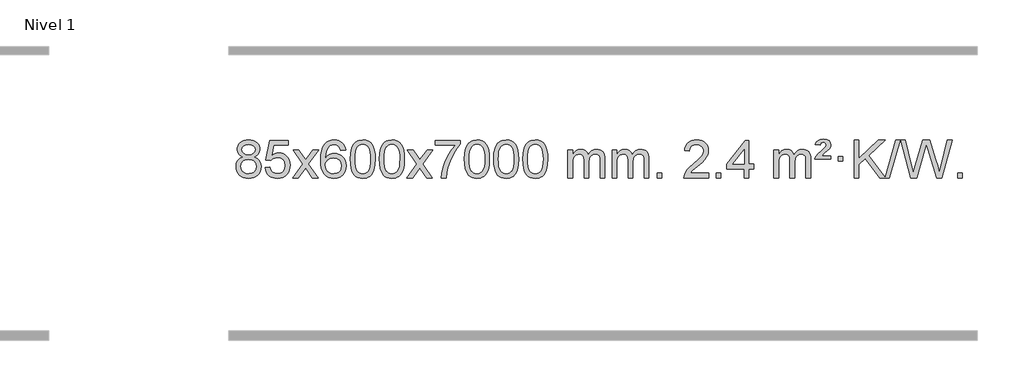
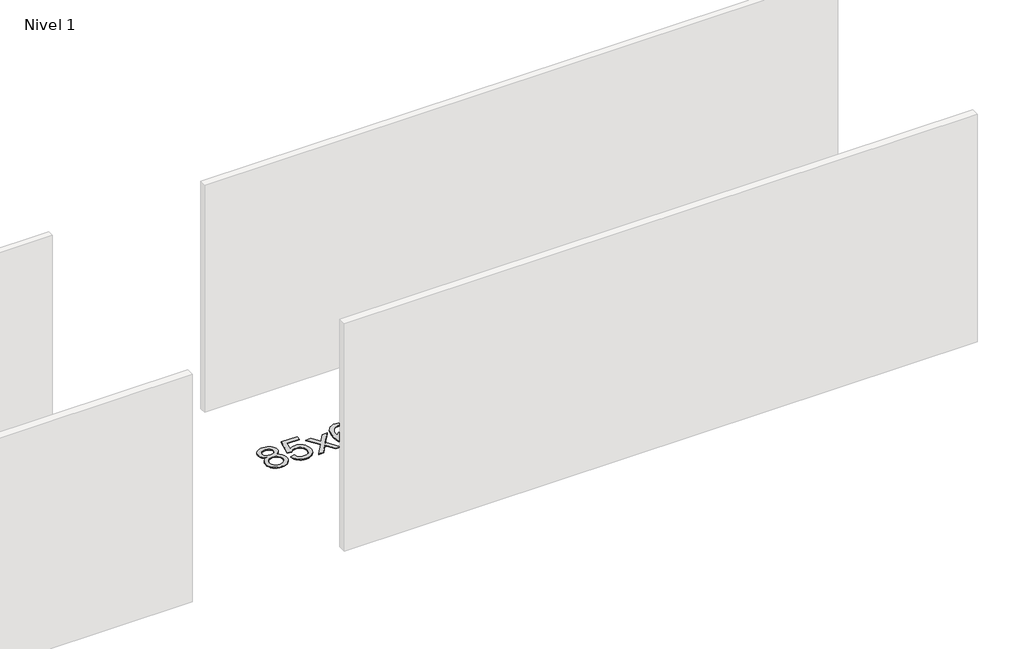
# One storey, part 8 of 12: 1 proxy.
"""IFC4 building model written with IfcOpenShell, lengths in millimetres."""

from ifc_helpers import new_model, si_unit, origin, origin_with_axes, place, context, project, spatial, polyline, outline, extrude, element, save

model = new_model("IFC4")

# Units and contexts
model_context = context("Model", 3, world=origin())
ifc_project = project(units=[si_unit("LENGTHUNIT", "METRE", prefix="MILLI")], contexts=[model_context])

# Site, building, storey
site = spatial("IfcSite", under=ifc_project)
building = spatial("IfcBuilding", under=site)
storey = spatial("IfcBuildingStorey", under=building, Name="Nivel 1", Elevation=0.0)

# Proxy
placement = place(None, origin())
element("IfcBuildingElementProxy", 1, Name="Texto de modelo 1", ObjectType="Texto de modelo 1", at=placement, inside=storey, context=model_context, shape_type="SweptSolid", body=[
    extrude(outline(polyline([(-1682.9857189, -6174.2616447), (-1709.8778927, -6161.0178929), (-1728.7502391, -6143.0652515), (-1739.8970635, -6120.7716026), (-1743.6126717, -6094.5048281), (-1741.5893207, -6074.0199324), (-1735.5192678, -6055.2395565), (-1725.4025129, -6038.1637006), (-1711.2390561, -6022.7923645), (-1693.709479, -6010.088173), (-1673.4943634, -6001.0137504), (-1650.5937092, -5995.5690969), (-1625.0075164, -5993.7542124), (-1599.2986964, -5995.6120165), (-1576.2263639, -6001.1854287), (-1555.7905191, -6010.4744491), (-1537.9911619, -6023.4790776), (-1523.5701876, -6039.1508506), (-1513.2694918, -6056.4413044), (-1507.0890743, -6075.3504389), (-1505.0289351, -6095.8782543), (-1508.6954923, -6121.2989001), (-1519.695164, -6143.2124043), (-1538.1505774, -6161.0546811), (-1564.1843599, -6174.2616447), (-1533.2700096, -6190.1909351), (-1510.7678942, -6213.6495436), (-1497.0458958, -6243.5092989), (-1492.4718963, -6278.6420295), (-1494.740502, -6303.6947933), (-1501.5463189, -6326.6628926), (-1512.8893471, -6347.5463272), (-1528.7695865, -6366.3450971), (-1548.3531714, -6381.88198), (-1570.8062358, -6392.9797536), (-1596.1287798, -6399.6384177), (-1624.3208034, -6401.8579724), (-1652.512827, -6399.6292206), (-1677.835371, -6392.9429654), (-1700.2884354, -6381.7992066), (-1719.8720203, -6366.1979443), (-1735.7522597, -6347.26735), (-1747.0952879, -6326.135595), (-1753.9011048, -6302.8026795), (-1756.1697105, -6277.2686033), (-1751.41177, -6240.7747094), (-1737.1379486, -6210.7555386), (-1714.0840102, -6188.2411605), (-1682.9857189, -6174.2616447)]), holes=[polyline([(-1693.3845166, -6095.9763561), (-1688.9331445, -6117.902123), (-1675.5790281, -6135.413306), (-1653.7145748, -6146.8912243), (-1623.7321922, -6150.717197), (-1594.4487854, -6146.9157497), (-1572.9154259, -6135.5114079), (-1559.6716741, -6118.5888361), (-1555.2570902, -6098.232699), (-1559.8188269, -6077.1040098), (-1573.5040371, -6059.629615), (-1595.3317022, -6047.8941794), (-1624.3208034, -6043.9823675), (-1653.4938456, -6047.8083402), (-1675.2847225, -6059.2862585), (-1688.8595681, -6076.1107284), (-1693.3845166, -6095.9763561)]), polyline([(-1705.9415554, -6275.5027698), (-1703.844628, -6294.7184726), (-1697.5538459, -6313.3210389), (-1685.9410376, -6329.5446349), (-1667.8780316, -6341.623427), (-1646.2465703, -6349.1282197), (-1623.9283959, -6351.6298173), (-1589.7398958, -6346.3691048), (-1575.8462192, -6339.7932141), (-1564.086258, -6330.5869672), (-1548.0466031, -6306.6869002), (-1542.7000514, -6277.0723996), (-1548.2182813, -6246.9551269), (-1564.7729711, -6222.5277625), (-1576.8517633, -6213.0854579), (-1591.0152201, -6206.3409547), (-1625.5961276, -6200.9453521), (-1659.3063811, -6206.2673783), (-1673.043708, -6212.919911), (-1684.7025015, -6222.2334569), (-1700.6317919, -6246.1948375), (-1705.9415554, -6275.5027698)])]), origin_with_axes(), (0.0, 0.0, 1.0), 10.0),
    extrude(outline(polyline([(-1448.5222606, -6288.8446235), (-1398.2941056, -6282.5661041), (-1389.0725302, -6312.7201649), (-1372.9838243, -6334.3148381), (-1350.1015642, -6347.3010725), (-1320.4993263, -6351.6298173), (-1301.3694626, -6350.1245668), (-1284.4959417, -6345.6088153), (-1269.8787638, -6338.0825628), (-1257.5179287, -6327.5458094), (-1247.6893481, -6314.519721), (-1240.6689334, -6299.5254641), (-1235.0526016, -6263.6324441), (-1240.3133141, -6229.8363514), (-1246.8892048, -6215.9181493), (-1256.0954517, -6203.9865099), (-1267.9627117, -6194.4154467), (-1282.5216417, -6187.5789729), (-1319.7145114, -6182.1097939), (-1344.0805622, -6184.2925604), (-1363.8112999, -6190.8408599), (-1379.568912, -6200.8717757), (-1392.0155862, -6213.5023908), (-1442.2437412, -6207.2238715), (-1398.2941056, -6000.0327318), (-1203.6600046, -6000.0327318), (-1203.6600046, -6050.2608869), (-1357.6799333, -6050.2608869), (-1379.1642418, -6160.919791), (-1361.438461, -6148.2155994), (-1343.2834845, -6139.1411769), (-1324.6993124, -6133.6965234), (-1305.6859446, -6131.8816388), (-1281.2248576, -6134.1318504), (-1258.7564648, -6140.882485), (-1238.2807661, -6152.1335427), (-1219.7977615, -6167.8850234), (-1204.4969362, -6187.1743027), (-1193.5677752, -6209.038756), (-1187.0102787, -6233.4783832), (-1184.8244465, -6260.4931844), (-1186.7926152, -6286.5147042), (-1192.6971212, -6310.7213394), (-1202.5379646, -6333.1130902), (-1216.3151453, -6353.6899565), (-1237.1863171, -6374.7634634), (-1261.5401052, -6389.8159684), (-1289.3765095, -6398.8474714), (-1320.69553, -6401.8579724), (-1346.6158823, -6399.9235262), (-1370.0285056, -6394.1201877), (-1390.9334, -6384.447957), (-1409.3305654, -6370.9068338), (-1424.6375221, -6354.1712688), (-1436.2717902, -6334.915712), (-1444.2333697, -6313.1401636), (-1448.5222606, -6288.8446235)])), origin_with_axes(), (0.0, 0.0, 1.0), 10.0),
    extrude(outline(polyline([(-1159.7103689, -6395.579453), (-1052.3869282, -6247.2494325), (-1153.4318496, -6100.4890419), (-1093.0011005, -6100.4890419), (-1044.2444734, -6171.122385), (-1021.4848406, -6204.4770192), (-1001.7663657, -6177.2047007), (-946.2407099, -6100.4890419), (-885.8099608, -6100.4890419), (-991.9561791, -6247.2494325), (-889.7340354, -6395.579453), (-950.1647845, -6395.579453), (-1011.6746541, -6306.4048574), (-1022.9563686, -6290.1199477), (-1099.2796199, -6395.579453), (-1159.7103689, -6395.579453)])), origin_with_axes(), (0.0, 0.0, 1.0), 10.0),
    extrude(outline(polyline([(-600.9221437, -6100.4890419), (-651.1502988, -6106.7675613), (-659.2437027, -6081.874213), (-670.1820607, -6064.8780648), (-692.9662189, -6049.2062918), (-720.5083176, -6043.9823675), (-743.8565616, -6047.0235253), (-765.8313794, -6056.1469988), (-784.7037258, -6075.3627017), (-800.1179814, -6101.8134171), (-810.5290419, -6139.227016), (-814.3918028, -6191.3313693), (-794.2441322, -6167.8237098), (-770.0988106, -6151.2567573), (-743.3047386, -6141.434308), (-715.2108169, -6138.1601582), (-691.077758, -6140.398107), (-668.8086346, -6147.1119534), (-648.4034466, -6158.3016975), (-629.862194, -6173.9673391), (-614.4540698, -6193.1769106), (-603.4482668, -6214.9984443), (-596.844785, -6239.4319401), (-594.6436244, -6266.4773982), (-598.7884282, -6302.4439945), (-611.2228396, -6335.786366), (-630.9167891, -6364.0642287), (-656.840207, -6384.8372987), (-687.815871, -6397.602804), (-722.6665587, -6401.8579724), (-752.6090874, -6399.0375437), (-779.6514797, -6390.5762579), (-803.7937357, -6376.4741147), (-825.0358552, -6356.7311143), (-842.3539001, -6330.5133908), (-854.7239322, -6296.9870783), (-862.1459515, -6256.1521768), (-864.6199579, -6208.0086864), (-861.8731057, -6154.0342663), (-853.632549, -6107.9693092), (-839.8982878, -6069.8138149), (-820.6703222, -6039.5677835), (-799.8298072, -6019.5243462), (-775.6660915, -6005.2076052), (-748.179175, -5996.6175606), (-717.3690579, -5993.7542124), (-694.2354118, -5995.5261773), (-673.2967949, -6000.8420722), (-654.5532073, -6009.7018969), (-638.0046489, -6022.1056515), (-624.0987094, -6037.6364031), (-613.2829788, -6055.8772186), (-605.5574569, -6076.8280983), (-600.9221437, -6100.4890419)]), holes=[polyline([(-814.3918028, -6265.6925832), (-811.485535, -6287.9494439), (-802.7667318, -6309.2007605), (-789.2286743, -6327.472233), (-771.8646442, -6340.7895612), (-750.9076332, -6348.9197533), (-726.5906333, -6351.6298173), (-693.4444655, -6346.0134855), (-679.5293291, -6338.9930708), (-667.3861575, -6329.1644901), (-657.5361171, -6316.9262824), (-650.500374, -6302.6769865), (-644.8717794, -6268.1451299), (-650.4267976, -6234.9989621), (-657.3705702, -6221.3781312), (-667.0918519, -6209.725469), (-679.2718117, -6200.3904634), (-693.5916183, -6193.7226022), (-728.6507725, -6188.3883133), (-761.7478893, -6193.7226022), (-789.4248781, -6209.725469), (-800.3479076, -6221.2248471), (-808.1500716, -6234.3858254), (-812.83137, -6249.2084042), (-814.3918028, -6265.6925832)])]), origin_with_axes(), (0.0, 0.0, 1.0), 10.0),
    extrude(outline(polyline([(-550.6939887, -6197.9041943), (-547.002906, -6133.5861588), (-535.9296579, -6082.2911459), (-517.5846091, -6043.2343407), (-505.7265461, -6028.0009605), (-492.0781241, -6015.6309284), (-476.5933578, -6006.0598651), (-459.2262619, -5999.2233914), (-418.8450816, -5993.7542124), (-387.8939431, -5996.991574), (-360.1801661, -6006.7036586), (-337.0036004, -6022.5103217), (-319.6640957, -6044.0314184), (-306.5674967, -6071.0830078), (-296.119648, -6103.4811488), (-289.2770429, -6144.6226186), (-286.9961745, -6197.9041943), (-290.650469, -6261.8543477), (-301.6133525, -6313.0267333), (-319.8480367, -6352.1203266), (-331.6785085, -6367.3996922), (-345.3177335, -6379.8341036), (-360.8208939, -6389.4695462), (-378.2431721, -6396.3520052), (-418.8450816, -6401.8579724), (-446.5098076, -6399.4667394), (-471.035274, -6392.2930405), (-492.4214806, -6380.3368757), (-510.6684276, -6363.5982449), (-528.1796106, -6333.3399508), (-540.6875984, -6295.6381776), (-548.1923911, -6250.4929255), (-550.6939887, -6197.9041943)]), holes=[polyline([(-500.4658336, -6197.8060924), (-498.9943056, -6241.4706195), (-494.5797217, -6276.8148822), (-487.2220818, -6303.8388804), (-476.9213859, -6322.5426142), (-464.462449, -6335.2682656), (-450.630086, -6344.3580165), (-435.4242968, -6349.8118671), (-418.8450816, -6351.6298173), (-402.2658663, -6349.8057357), (-387.0600772, -6344.3334911), (-373.2277142, -6335.2130833), (-360.7687773, -6322.4445124), (-350.4680814, -6303.7101217), (-343.1104415, -6276.6922549), (-338.6958576, -6241.3909118), (-337.2243296, -6197.8060924), (-338.6468066, -6155.2973278), (-342.9142378, -6120.5753989), (-350.026623, -6093.6403055), (-359.9839624, -6074.4920476), (-372.2344328, -6061.1440625), (-386.2262114, -6051.6097875), (-401.959298, -6045.8892225), (-419.4336928, -6043.9823675), (-435.9270689, -6045.6623619), (-450.8753406, -6050.7023452), (-464.278508, -6059.1023175), (-476.136571, -6070.8622786), (-486.7806234, -6091.708925), (-494.3835179, -6119.8151094), (-498.9452547, -6155.1808319), (-500.4658336, -6197.8060924)])]), origin_with_axes(), (0.0, 0.0, 1.0), 10.0),
    extrude(outline(polyline([(-243.0465388, -6197.9041943), (-239.3554561, -6133.5861588), (-228.2822081, -6082.2911459), (-209.9371593, -6043.2343407), (-198.0790963, -6028.0009605), (-184.4306743, -6015.6309284), (-168.945908, -6006.0598651), (-151.5788121, -5999.2233914), (-111.1976318, -5993.7542124), (-80.2464932, -5996.991574), (-52.5327163, -6006.7036586), (-29.3561506, -6022.5103217), (-12.0166459, -6044.0314184), (1.0799532, -6071.0830078), (11.5278018, -6103.4811488), (18.3704069, -6144.6226186), (20.6512753, -6197.9041943), (16.9969808, -6261.8543477), (6.0340974, -6313.0267333), (-12.2005869, -6352.1203266), (-24.0310587, -6367.3996922), (-37.6702837, -6379.8341036), (-53.1734441, -6389.4695462), (-70.5957222, -6396.3520052), (-111.1976318, -6401.8579724), (-138.8623578, -6399.4667394), (-163.3878241, -6392.2930405), (-184.7740308, -6380.3368757), (-203.0209778, -6363.5982449), (-220.5321607, -6333.3399508), (-233.0401486, -6295.6381776), (-240.5449413, -6250.4929255), (-243.0465388, -6197.9041943)]), holes=[polyline([(-192.8183838, -6197.8060924), (-191.3468558, -6241.4706195), (-186.9322718, -6276.8148822), (-179.5746319, -6303.8388804), (-169.2739361, -6322.5426142), (-156.8149992, -6335.2682656), (-142.9826361, -6344.3580165), (-127.776847, -6349.8118671), (-111.1976318, -6351.6298173), (-94.6184165, -6349.8057357), (-79.4126274, -6344.3334911), (-65.5802644, -6335.2130833), (-53.1213275, -6322.4445124), (-42.8206316, -6303.7101217), (-35.4629917, -6276.6922549), (-31.0484077, -6241.3909118), (-29.5768798, -6197.8060924), (-30.9993568, -6155.2973278), (-35.266788, -6120.5753989), (-42.3791732, -6093.6403055), (-52.3365125, -6074.4920476), (-64.586983, -6061.1440625), (-78.5787615, -6051.6097875), (-94.3118482, -6045.8892225), (-111.786243, -6043.9823675), (-128.2796191, -6045.6623619), (-143.2278908, -6050.7023452), (-156.6310582, -6059.1023175), (-168.4891211, -6070.8622786), (-179.1331735, -6091.708925), (-186.7360681, -6119.8151094), (-191.2978048, -6155.1808319), (-192.8183838, -6197.8060924)])]), origin_with_axes(), (0.0, 0.0, 1.0), 10.0),
    extrude(outline(polyline([(45.7653528, -6395.579453), (153.0887936, -6247.2494325), (52.0438722, -6100.4890419), (112.4746213, -6100.4890419), (161.2312484, -6171.122385), (183.9908812, -6204.4770192), (203.7093561, -6177.2047007), (259.2350119, -6100.4890419), (319.665761, -6100.4890419), (213.5195426, -6247.2494325), (315.7416864, -6395.579453), (255.3109373, -6395.579453), (193.8010677, -6306.4048574), (182.5193532, -6290.1199477), (106.1961019, -6395.579453), (45.7653528, -6395.579453)])), origin_with_axes(), (0.0, 0.0, 1.0), 10.0),
    extrude(outline(polyline([(347.1342833, -6050.2608869), (347.1342833, -6000.0327318), (610.8320974, -6000.0327318), (610.8320974, -6040.646904), (573.2468203, -6088.214046), (536.0294251, -6148.7061088), (503.2020884, -6216.6048623), (478.7869866, -6286.3920768), (466.8185591, -6338.6067947), (460.1476322, -6395.579453), (409.9194771, -6395.579453), (415.3518679, -6343.8061935), (429.8832067, -6282.2717985), (453.1210861, -6217.0463207), (484.6730986, -6154.1998132), (521.510349, -6097.3865704), (560.6039424, -6050.2608869), (347.1342833, -6050.2608869)])), origin_with_axes(), (0.0, 0.0, 1.0), 10.0),
    extrude(outline(polyline([(654.7817331, -6197.9041943), (658.4728158, -6133.5861588), (669.5460639, -6082.2911459), (687.8911127, -6043.2343407), (699.7491757, -6028.0009605), (713.3975977, -6015.6309284), (728.882364, -6006.0598651), (746.2494599, -5999.2233914), (786.6306402, -5993.7542124), (817.5817787, -5996.991574), (845.2955557, -6006.7036586), (868.4721214, -6022.5103217), (885.8116261, -6044.0314184), (898.9082251, -6071.0830078), (909.3560738, -6103.4811488), (916.1986789, -6144.6226186), (918.4795473, -6197.9041943), (914.8252528, -6261.8543477), (903.8623693, -6313.0267333), (885.6276851, -6352.1203266), (873.7972133, -6367.3996922), (860.1579883, -6379.8341036), (844.6548279, -6389.4695462), (827.2325497, -6396.3520052), (786.6306402, -6401.8579724), (758.9659142, -6399.4667394), (734.4404478, -6392.2930405), (713.0542412, -6380.3368757), (694.8072942, -6363.5982449), (677.2961112, -6333.3399508), (664.7881234, -6295.6381776), (657.2833307, -6250.4929255), (654.7817331, -6197.9041943)]), holes=[polyline([(705.0098882, -6197.8060924), (706.4814162, -6241.4706195), (710.8960001, -6276.8148822), (718.25364, -6303.8388804), (728.5543359, -6322.5426142), (741.0132728, -6335.2682656), (754.8456358, -6344.3580165), (770.0514249, -6349.8118671), (786.6306402, -6351.6298173), (803.2098554, -6349.8057357), (818.4156446, -6344.3334911), (832.2480076, -6335.2130833), (844.7069445, -6322.4445124), (855.0076404, -6303.7101217), (862.3652803, -6276.6922549), (866.7798642, -6241.3909118), (868.2513922, -6197.8060924), (866.8289151, -6155.2973278), (862.561484, -6120.5753989), (855.4490988, -6093.6403055), (845.4917594, -6074.4920476), (833.241289, -6061.1440625), (819.2495104, -6051.6097875), (803.5164238, -6045.8892225), (786.042029, -6043.9823675), (769.5486529, -6045.6623619), (754.6003812, -6050.7023452), (741.1972138, -6059.1023175), (729.3391508, -6070.8622786), (718.6950984, -6091.708925), (711.0922039, -6119.8151094), (706.5304671, -6155.1808319), (705.0098882, -6197.8060924)])]), origin_with_axes(), (0.0, 0.0, 1.0), 10.0),
    extrude(outline(polyline([(962.429183, -6197.9041943), (966.1202656, -6133.5861588), (977.1935137, -6082.2911459), (995.5385625, -6043.2343407), (1007.3966255, -6028.0009605), (1021.0450475, -6015.6309284), (1036.5298138, -6006.0598651), (1053.8969097, -5999.2233914), (1094.27809, -5993.7542124), (1125.2292286, -5996.991574), (1152.9430055, -6006.7036586), (1176.1195712, -6022.5103217), (1193.4590759, -6044.0314184), (1206.555675, -6071.0830078), (1217.0035236, -6103.4811488), (1223.8461287, -6144.6226186), (1226.1269971, -6197.9041943), (1222.4727026, -6261.8543477), (1211.5098192, -6313.0267333), (1193.2751349, -6352.1203266), (1181.4446631, -6367.3996922), (1167.8054381, -6379.8341036), (1152.3022777, -6389.4695462), (1134.8799996, -6396.3520052), (1094.27809, -6401.8579724), (1066.613364, -6399.4667394), (1042.0878976, -6392.2930405), (1020.701691, -6380.3368757), (1002.454744, -6363.5982449), (984.9435611, -6333.3399508), (972.4355732, -6295.6381776), (964.9307805, -6250.4929255), (962.429183, -6197.9041943)]), holes=[polyline([(1012.657338, -6197.8060924), (1014.128866, -6241.4706195), (1018.54345, -6276.8148822), (1025.9010899, -6303.8388804), (1036.2017857, -6322.5426142), (1048.6607226, -6335.2682656), (1062.4930856, -6344.3580165), (1077.6988748, -6349.8118671), (1094.27809, -6351.6298173), (1110.8573053, -6349.8057357), (1126.0630944, -6344.3334911), (1139.8954574, -6335.2130833), (1152.3543943, -6322.4445124), (1162.6550902, -6303.7101217), (1170.0127301, -6276.6922549), (1174.427314, -6241.3909118), (1175.898842, -6197.8060924), (1174.476365, -6155.2973278), (1170.2089338, -6120.5753989), (1163.0965486, -6093.6403055), (1153.1392093, -6074.4920476), (1140.8887388, -6061.1440625), (1126.8969603, -6051.6097875), (1111.1638736, -6045.8892225), (1093.6894788, -6043.9823675), (1077.1961027, -6045.6623619), (1062.247831, -6050.7023452), (1048.8446636, -6059.1023175), (1036.9866007, -6070.8622786), (1026.3425483, -6091.708925), (1018.7396537, -6119.8151094), (1014.1779169, -6155.1808319), (1012.657338, -6197.8060924)])]), origin_with_axes(), (0.0, 0.0, 1.0), 10.0),
    extrude(outline(polyline([(1270.0766328, -6197.9041943), (1273.7677155, -6133.5861588), (1284.8409635, -6082.2911459), (1303.1860124, -6043.2343407), (1315.0440753, -6028.0009605), (1328.6924974, -6015.6309284), (1344.1772637, -6006.0598651), (1361.5443595, -5999.2233914), (1401.9255399, -5993.7542124), (1432.8766784, -5996.991574), (1460.5904554, -6006.7036586), (1483.7670211, -6022.5103217), (1501.1065258, -6044.0314184), (1514.2031248, -6071.0830078), (1524.6509735, -6103.4811488), (1531.4935786, -6144.6226186), (1533.7744469, -6197.9041943), (1530.1201525, -6261.8543477), (1519.157269, -6313.0267333), (1500.9225848, -6352.1203266), (1489.0921129, -6367.3996922), (1475.452888, -6379.8341036), (1459.9497276, -6389.4695462), (1442.5274494, -6396.3520052), (1401.9255399, -6401.8579724), (1374.2608138, -6399.4667394), (1349.7353475, -6392.2930405), (1328.3491408, -6380.3368757), (1310.1021939, -6363.5982449), (1292.5910109, -6333.3399508), (1280.0830231, -6295.6381776), (1272.5782304, -6250.4929255), (1270.0766328, -6197.9041943)]), holes=[polyline([(1320.3047879, -6197.8060924), (1321.7763158, -6241.4706195), (1326.1908998, -6276.8148822), (1333.5485397, -6303.8388804), (1343.8492356, -6322.5426142), (1356.3081725, -6335.2682656), (1370.1405355, -6344.3580165), (1385.3463246, -6349.8118671), (1401.9255399, -6351.6298173), (1418.5047551, -6349.8057357), (1433.7105442, -6344.3334911), (1447.5429073, -6335.2130833), (1460.0018442, -6322.4445124), (1470.30254, -6303.7101217), (1477.6601799, -6276.6922549), (1482.0747639, -6241.3909118), (1483.5462919, -6197.8060924), (1482.1238148, -6155.2973278), (1477.8563837, -6120.5753989), (1470.7439984, -6093.6403055), (1460.7866591, -6074.4920476), (1448.5361887, -6061.1440625), (1434.5444101, -6051.6097875), (1418.8113234, -6045.8892225), (1401.3369287, -6043.9823675), (1384.8435526, -6045.6623619), (1369.8952808, -6050.7023452), (1356.4921135, -6059.1023175), (1344.6340505, -6070.8622786), (1333.9899981, -6091.708925), (1326.3871035, -6119.8151094), (1321.8253668, -6155.1808319), (1320.3047879, -6197.8060924)])]), origin_with_axes(), (0.0, 0.0, 1.0), 10.0),
    extrude(outline(polyline([(1747.244106, -6395.579453), (1747.244106, -6100.4890419), (1797.4722611, -6100.4890419), (1797.4722611, -6149.0494653), (1812.5799483, -6126.7435537), (1832.0041177, -6109.2691589), (1855.0825815, -6097.9751816), (1881.1531522, -6094.2105225), (1909.0876584, -6098.048758), (1931.4794092, -6109.5634645), (1948.2057772, -6127.9943524), (1959.1441352, -6152.5811324), (1977.4523959, -6127.0439906), (1998.3358304, -6108.803175), (2021.794439, -6097.8586857), (2047.8282215, -6094.2105225), (2067.9360383, -6095.7280358), (2085.585177, -6100.2805755), (2100.7756377, -6107.8681416), (2113.5074204, -6118.4907342), (2123.5720587, -6132.2709806), (2130.761086, -6149.3315082), (2135.0745024, -6169.6723168), (2136.5123078, -6193.2934066), (2136.5123078, -6395.579453), (2086.2841528, -6395.579453), (2086.2841528, -6214.875817), (2085.1191931, -6189.8230531), (2081.6243142, -6172.9372695), (2075.0760146, -6161.3735121), (2064.7507933, -6152.2868268), (2051.4702533, -6146.4007149), (2036.0559977, -6144.4386776), (2008.8449928, -6149.4663982), (1986.6617085, -6164.54956), (1978.0563355, -6176.1194488), (1971.9096405, -6190.7182326), (1966.9922845, -6229.0024856), (1966.9922845, -6395.579453), (1916.7641294, -6395.579453), (1916.7641294, -6209.2840106), (1913.8578616, -6180.8835206), (1905.1390583, -6160.6254854), (1889.7983791, -6148.4853796), (1867.0264836, -6144.4386776), (1847.6758907, -6147.1364789), (1829.8458767, -6155.2298828), (1815.1305968, -6168.5226856), (1805.1242066, -6186.8186835), (1799.3852475, -6212.2025411), (1797.4722611, -6246.7589232), (1797.4722611, -6395.579453), (1747.244106, -6395.579453)])), origin_with_axes(), (0.0, 0.0, 1.0), 10.0),
    extrude(outline(polyline([(2211.8545404, -6395.579453), (2211.8545404, -6100.4890419), (2262.0826955, -6100.4890419), (2262.0826955, -6149.0494653), (2277.1903828, -6126.7435537), (2296.6145521, -6109.2691589), (2319.693016, -6097.9751816), (2345.7635867, -6094.2105225), (2373.6980929, -6098.048758), (2396.0898436, -6109.5634645), (2412.8162117, -6127.9943524), (2423.7545697, -6152.5811324), (2442.0628303, -6127.0439906), (2462.9462649, -6108.803175), (2486.4048734, -6097.8586857), (2512.438656, -6094.2105225), (2532.5464727, -6095.7280358), (2550.1956114, -6100.2805755), (2565.3860721, -6107.8681416), (2578.1178548, -6118.4907342), (2588.1824931, -6132.2709806), (2595.3715204, -6149.3315082), (2599.6849368, -6169.6723168), (2601.1227423, -6193.2934066), (2601.1227423, -6395.579453), (2550.8945872, -6395.579453), (2550.8945872, -6214.875817), (2549.7296276, -6189.8230531), (2546.2347486, -6172.9372695), (2539.6864491, -6161.3735121), (2529.3612278, -6152.2868268), (2516.0806877, -6146.4007149), (2500.6664321, -6144.4386776), (2473.4554272, -6149.4663982), (2451.2721429, -6164.54956), (2442.6667699, -6176.1194488), (2436.5200749, -6190.7182326), (2431.6027189, -6229.0024856), (2431.6027189, -6395.579453), (2381.3745638, -6395.579453), (2381.3745638, -6209.2840106), (2378.4682961, -6180.8835206), (2369.7494928, -6160.6254854), (2354.4088136, -6148.4853796), (2331.6369181, -6144.4386776), (2312.2863251, -6147.1364789), (2294.4563111, -6155.2298828), (2279.7410313, -6168.5226856), (2269.734641, -6186.8186835), (2263.9956819, -6212.2025411), (2262.0826955, -6246.7589232), (2262.0826955, -6395.579453), (2211.8545404, -6395.579453)])), origin_with_axes(), (0.0, 0.0, 1.0), 10.0),
    extrude(outline(polyline([(2689.0220137, -6395.579453), (2689.0220137, -6345.3512979), (2739.2501687, -6345.3512979), (2739.2501687, -6395.579453), (2689.0220137, -6395.579453)])), origin_with_axes(), (0.0, 0.0, 1.0), 10.0),
    extrude(outline(polyline([(3235.2532001, -6345.3512979), (3235.2532001, -6395.579453), (2971.555386, -6395.579453), (2972.6590319, -6377.8965918), (2976.9509885, -6360.9494945), (2989.3363491, -6333.8856424), (3007.4606687, -6307.6311307), (3033.6783922, -6280.1503456), (3070.3439644, -6249.4076736), (3124.545245, -6201.2641831), (3157.0660134, -6165.7267824), (3173.3263976, -6136.884834), (3178.7465256, -6108.8277005), (3173.6329659, -6083.6768347), (3158.2922867, -6062.7688747), (3134.7110508, -6048.6789943), (3104.875821, -6043.9823675), (3073.5445377, -6048.5686297), (3049.2030124, -6062.3274163), (3033.4944512, -6084.1796068), (3028.0620604, -6113.0460807), (2977.8339053, -6106.7675613), (2982.1534531, -6080.838012), (2990.0107994, -6058.1826125), (3001.4059442, -6038.8013627), (3016.3388875, -6022.6942627), (3034.4662728, -6010.0329907), (3055.4447436, -6000.989225), (3079.2742998, -5995.5629655), (3105.9549415, -5993.7542124), (3132.8747065, -5995.7653006), (3156.8330215, -6001.7985654), (3177.8298863, -6011.8540066), (3195.8653011, -6025.9316242), (3210.3506547, -6042.9890861), (3220.6973358, -6061.9840598), (3226.9053445, -6082.9165453), (3228.9746807, -6105.7865427), (3226.7428633, -6129.8092369), (3220.047411, -6153.4149983), (3208.1648225, -6177.4254299), (3190.3715967, -6202.6621347), (3162.0078949, -6232.7916701), (3118.4138784, -6271.4805933), (3060.6318797, -6319.795762), (3037.9703488, -6345.3512979), (3235.2532001, -6345.3512979)])), origin_with_axes(), (0.0, 0.0, 1.0), 10.0),
    extrude(outline(polyline([(3310.5954327, -6395.579453), (3310.5954327, -6345.3512979), (3360.8235878, -6345.3512979), (3360.8235878, -6395.579453), (3310.5954327, -6395.579453)])), origin_with_axes(), (0.0, 0.0, 1.0), 10.0),
    extrude(outline(polyline([(3605.6858438, -6395.579453), (3605.6858438, -6301.4016622), (3423.6087816, -6301.4016622), (3423.6087816, -6251.1735072), (3618.2428825, -6000.0327318), (3655.9139988, -6000.0327318), (3655.9139988, -6251.1735072), (3706.1421539, -6251.1735072), (3706.1421539, -6301.4016622), (3655.9139988, -6301.4016622), (3655.9139988, -6395.579453), (3605.6858438, -6395.579453)]), holes=[polyline([(3605.6858438, -6251.1735072), (3605.6858438, -6095.9763561), (3485.4129568, -6251.1735072), (3605.6858438, -6251.1735072)])]), origin_with_axes(), (0.0, 0.0, 1.0), 10.0),
    extrude(outline(polyline([(3919.611813, -6395.579453), (3919.611813, -6100.4890419), (3969.8399681, -6100.4890419), (3969.8399681, -6149.0494653), (3984.9476553, -6126.7435537), (4004.3718247, -6109.2691589), (4027.4502885, -6097.9751816), (4053.5208592, -6094.2105225), (4081.4553654, -6098.048758), (4103.8471162, -6109.5634645), (4120.5734842, -6127.9943524), (4131.5118422, -6152.5811324), (4149.8201028, -6127.0439906), (4170.7035374, -6108.803175), (4194.162146, -6097.8586857), (4220.1959285, -6094.2105225), (4240.3037452, -6095.7280358), (4257.952884, -6100.2805755), (4273.1433447, -6107.8681416), (4285.8751274, -6118.4907342), (4295.9397656, -6132.2709806), (4303.128793, -6149.3315082), (4307.4422094, -6169.6723168), (4308.8800148, -6193.2934066), (4308.8800148, -6395.579453), (4258.6518597, -6395.579453), (4258.6518597, -6214.875817), (4257.4869001, -6189.8230531), (4253.9920211, -6172.9372695), (4247.4437216, -6161.3735121), (4237.1185003, -6152.2868268), (4223.8379603, -6146.4007149), (4208.4237047, -6144.4386776), (4181.2126998, -6149.4663982), (4159.0294155, -6164.54956), (4150.4240424, -6176.1194488), (4144.2773474, -6190.7182326), (4139.3599914, -6229.0024856), (4139.3599914, -6395.579453), (4089.1318364, -6395.579453), (4089.1318364, -6209.2840106), (4086.2255686, -6180.8835206), (4077.5067653, -6160.6254854), (4062.1660861, -6148.4853796), (4039.3941906, -6144.4386776), (4020.0435977, -6147.1364789), (4002.2135836, -6155.2298828), (3987.4983038, -6168.5226856), (3977.4919136, -6186.8186835), (3971.7529544, -6212.2025411), (3969.8399681, -6246.7589232), (3969.8399681, -6395.579453), (3919.611813, -6395.579453)])), origin_with_axes(), (0.0, 0.0, 1.0), 10.0),
    extrude(outline(polyline([(4352.8296505, -6194.6668327), (4356.6556233, -6178.8479069), (4364.9942818, -6162.9799302), (4386.5031158, -6137.8413272), (4418.4597984, -6110.1030247), (4462.6056379, -6072.726214), (4469.7425486, -6061.1992448), (4472.1215188, -6049.3779701), (4470.2330579, -6037.2869152), (4464.5676752, -6027.5012541), (4455.198947, -6021.026531), (4442.2004499, -6018.8682899), (4429.7660384, -6020.4869707), (4420.9123451, -6025.343013), (4414.4866729, -6034.8098431), (4409.336325, -6050.2608869), (4359.1081699, -6043.9823675), (4369.948426, -6018.7701881), (4386.5766922, -6001.2099542), (4410.3418691, -5990.9092583), (4442.5928573, -5987.475693), (4478.3755127, -5991.6082341), (4503.1217083, -6004.0058573), (4517.5426825, -6022.3386434), (4522.3496739, -6044.2766731), (4518.253921, -6067.1834586), (4505.9666624, -6088.8149199), (4485.438847, -6108.6314968), (4448.9694786, -6136.6886303), (4423.3648917, -6163.2742358), (4522.3496739, -6163.2742358), (4522.3496739, -6194.6668327), (4352.8296505, -6194.6668327)])), origin_with_axes(), (0.0, 0.0, 1.0), 10.0),
    extrude(outline(polyline([(4597.6919065, -6219.7809102), (4597.6919065, -6169.5527552), (4647.9200616, -6169.5527552), (4647.9200616, -6219.7809102), (4597.6919065, -6219.7809102)])), origin_with_axes(), (0.0, 0.0, 1.0), 10.0),
    extrude(outline(polyline([(5038.5616895, -6395.579453), (4885.1303721, -6192.9009991), (4817.440085, -6257.4520265), (4817.440085, -6395.579453), (4767.2119299, -6395.579453), (4767.2119299, -5993.7542124), (4817.440085, -5993.7542124), (4817.440085, -6190.4484525), (5023.4540023, -5993.7542124), (5093.6949379, -5993.7542124), (4920.7413492, -6158.9577537), (5095.3949591, -6389.5349332), (5206.7082868, -5993.7542124), (5252.0313486, -5993.7542124), (5139.0179997, -6395.579453), (5099.9734572, -6395.579453), (5093.6949379, -6395.579453), (5038.5616895, -6395.579453)])), origin_with_axes(), (0.0, 0.0, 1.0), 10.0),
    extrude(outline(polyline([(5366.5162255, -6395.579453), (5256.9364419, -5993.7542124), (5308.7342268, -5993.7542124), (5372.3042355, -6257.844434), (5391.9246086, -6339.3670841), (5412.9184078, -6267.2622131), (5492.5771225, -5993.7542124), (5567.2326421, -5993.7542124), (5625.1127426, -6192.0180823), (5649.9079891, -6265.5944814), (5668.1794615, -6339.3670841), (5687.2112234, -6260.1988788), (5751.3698434, -5993.7542124), (5803.1676283, -5993.7542124), (5693.4897428, -6395.579453), (5639.8280224, -6395.579453), (5543.4919906, -6085.5775584), (5530.0520351, -6042.3146358), (5514.9443478, -6094.4067263), (5427.1431783, -6395.579453), (5366.5162255, -6395.579453)])), origin_with_axes(), (0.0, 0.0, 1.0), 10.0),
    extrude(outline(polyline([(5859.6743028, -6395.579453), (5859.6743028, -6345.3512979), (5909.9024578, -6345.3512979), (5909.9024578, -6395.579453), (5859.6743028, -6395.579453)])), origin_with_axes(), (0.0, 0.0, 1.0), 10.0),
])

save(model, "model.ifc")
